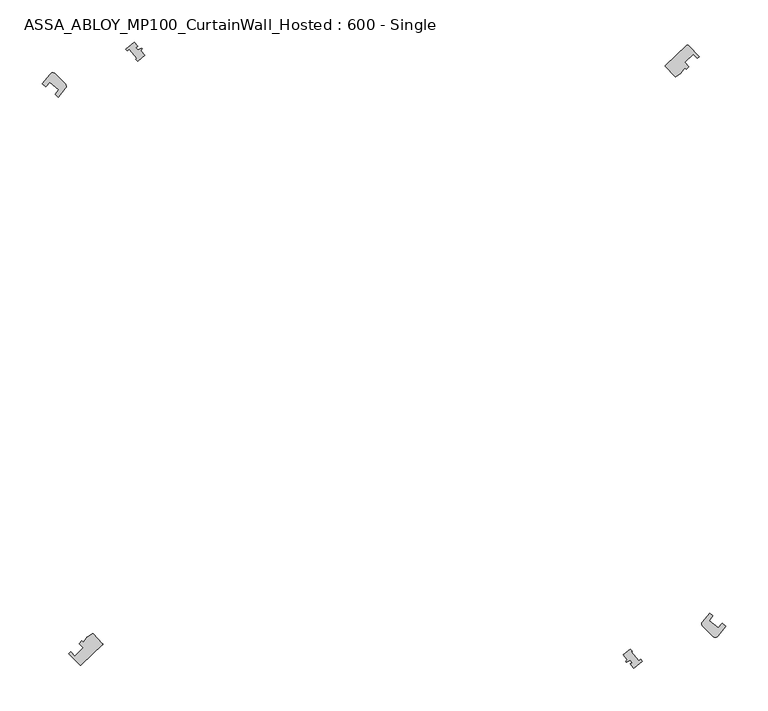
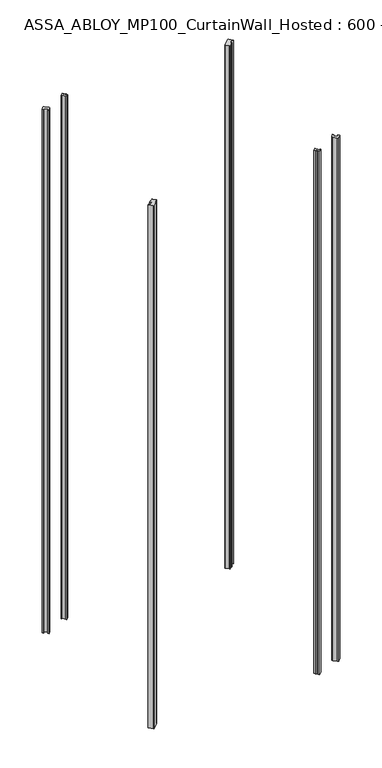
"""IFC4 building model written with IfcOpenShell, lengths in millimetres: plate geometry, ASSA_ABLOY_MP100_CurtainWall_Hosted : 600 - Single."""

from ifc_helpers import new_model, si_unit, point, frame_2d, origin, origin_with_axes, origin_2d, place, context, project, spatial, polyline, circle_curve, trimmed, segment, composite_curve, outline, extrude, source, transform, mapped, element, save


def assa_abloy_mp100_curtainwall_hosted_600_single_c99bf706(model_context):
    return source(origin(), model_context, "Body", "SweptSolid", [
        extrude(outline(composite_curve([segment(polyline([(334.8644246, 344.4806609), (360.0727221, 368.3357214)]), True, "CONTINUOUS"), segment(trimmed(circle_curve(frame_2d((360.7600645, 367.6093879)), 1.0), [point((360.0727221, 368.3357214))], [point((361.4631943, 368.3204493))], False, "CARTESIAN"), True, "CONTINUOUS"), segment(trimmed(circle_curve(frame_2d((-246.4267132, -246.4267132)), 864.5485606), [point((361.4631943, 368.3204493))], [point((374.7944617, 354.8456588))], False, "CARTESIAN"), True, "CONTINUOUS"), segment(polyline([(374.7944617, 354.8456588), (372.6388124, 352.7592322)]), True, "CONTINUOUS"), segment(trimmed(circle_curve(frame_2d((-246.4267132, -246.4267132)), 861.5485606), [point((372.6388124, 352.7592322))], [point((367.7500498, 357.769303))], True, "CARTESIAN"), True, "CONTINUOUS"), segment(polyline([(367.7500498, 357.769303), (357.6900154, 348.0323188)]), True, "CONTINUOUS"), segment(trimmed(circle_curve(frame_2d((-246.4267132, -246.4267132)), 847.5485606), [point((357.6900154, 348.0323188))], [point((362.5791155, 343.0225748))], False, "CARTESIAN"), True, "CONTINUOUS"), segment(polyline([(362.5791155, 343.0225748), (359.1079757, 339.662901), (357.6231574, 341.2356527), (353.626592, 336.1349594)]), True, "CONTINUOUS"), segment(trimmed(circle_curve(frame_2d((350.4779861, 338.6019984)), 4.0), [point((353.626592, 336.1349594))], [point((352.7677205, 335.322194))], False, "CARTESIAN"), True, "CONTINUOUS"), segment(polyline([(352.7677205, 335.322194), (346.8210526, 331.1706386)]), True, "CONTINUOUS"), segment(trimmed(circle_curve(frame_2d((346.549245, 332.1329902)), 1.0), [point((346.8210526, 331.1706386))], [point((345.8229115, 331.4456478))], False, "CARTESIAN"), True, "CONTINUOUS"), segment(polyline([(345.8229115, 331.4456478), (334.8254334, 343.0669849)]), True, "CONTINUOUS"), segment(trimmed(circle_curve(frame_2d((335.5517669, 343.7543273)), 1.0), [point((334.8254334, 343.0669849))], [point((334.8644246, 344.4806609))], False, "CARTESIAN"), True, "CONTINUOUS")], self_intersect=False)), origin_with_axes(), (0.0, 0.0, 1.0), 2200.0),
        extrude(outline(composite_curve([segment(polyline([(-334.8644246, -344.4806609), (-360.0727221, -368.3357214)]), True, "CONTINUOUS"), segment(trimmed(circle_curve(frame_2d((-360.7600645, -367.6093879)), 1.0), [point((-360.0727221, -368.3357214))], [point((-361.4631943, -368.3204493))], False, "CARTESIAN"), True, "CONTINUOUS"), segment(trimmed(circle_curve(frame_2d((246.4267132, 246.4267132)), 864.5485606), [point((-361.4631943, -368.3204493))], [point((-374.7944617, -354.8456588))], False, "CARTESIAN"), True, "CONTINUOUS"), segment(polyline([(-374.7944617, -354.8456588), (-372.6388124, -352.7592322)]), True, "CONTINUOUS"), segment(trimmed(circle_curve(frame_2d((246.4267132, 246.4267132)), 861.5485606), [point((-372.6388124, -352.7592322))], [point((-367.7500498, -357.769303))], True, "CARTESIAN"), True, "CONTINUOUS"), segment(polyline([(-367.7500498, -357.769303), (-357.6900154, -348.0323188)]), True, "CONTINUOUS"), segment(trimmed(circle_curve(frame_2d((246.4267132, 246.4267132)), 847.5485606), [point((-357.6900154, -348.0323188))], [point((-362.5791155, -343.0225748))], False, "CARTESIAN"), True, "CONTINUOUS"), segment(polyline([(-362.5791155, -343.0225748), (-359.1079757, -339.662901), (-357.6231574, -341.2356527), (-353.626592, -336.1349594)]), True, "CONTINUOUS"), segment(trimmed(circle_curve(frame_2d((-350.4779861, -338.6019984)), 4.0), [point((-353.626592, -336.1349594))], [point((-352.7677205, -335.322194))], False, "CARTESIAN"), True, "CONTINUOUS"), segment(polyline([(-352.7677205, -335.322194), (-346.8210526, -331.1706386)]), True, "CONTINUOUS"), segment(trimmed(circle_curve(frame_2d((-346.549245, -332.1329902)), 1.0), [point((-346.8210526, -331.1706386))], [point((-345.8229115, -331.4456478))], False, "CARTESIAN"), True, "CONTINUOUS"), segment(polyline([(-345.8229115, -331.4456478), (-334.8254334, -343.0669849)]), True, "CONTINUOUS"), segment(trimmed(circle_curve(frame_2d((-335.5517669, -343.7543273)), 1.0), [point((-334.8254334, -343.0669849))], [point((-334.8644246, -344.4806609))], False, "CARTESIAN"), True, "CONTINUOUS")], self_intersect=False)), origin_with_axes(), (0.0, 0.0, 1.0), 2200.0),
        extrude(outline(composite_curve([segment(polyline([(-406.4983781, 322.3103513), (-396.8361648, 334.0678909)]), True, "CONTINUOUS"), segment(trimmed(circle_curve(frame_2d((-393.7493539, 331.5239572)), 4.0), [point((-396.8361648, 334.0678909))], [point((-390.9209268, 334.3523843))], False, "CARTESIAN"), True, "CONTINUOUS"), segment(polyline([(-390.9209268, 334.3523843), (-378.9140144, 322.3454719)]), True, "CONTINUOUS"), segment(trimmed(circle_curve(frame_2d((-381.7424415, 319.5170448)), 4.0), [point((-378.9140144, 322.3454719))], [point((-378.6520168, 316.9775026))], False, "CARTESIAN"), True, "CONTINUOUS"), segment(polyline([(-378.6520168, 316.9775026), (-386.9843094, 306.8377525), (-391.0442832, 310.0568836)]), True, "CONTINUOUS"), segment(trimmed(circle_curve(origin_2d(), 499.05), [point((-391.0442832, 310.0568836))], [point((-386.6567534, 315.5114223))], False, "CARTESIAN"), True, "CONTINUOUS"), segment(polyline([(-386.6567534, 315.5114223), (-397.6278863, 324.2103739)]), True, "CONTINUOUS"), segment(trimmed(circle_curve(origin_2d(), 513.05), [point((-397.6278863, 324.2103739))], [point((-402.0143663, 318.7550028))], True, "CARTESIAN"), True, "CONTINUOUS"), segment(polyline([(-402.0143663, 318.7550028), (-406.4983781, 322.3103513)]), True, "CONTINUOUS")], self_intersect=False)), origin_with_axes(), (0.0, 0.0, 1.0), 2200.0),
        extrude(outline(composite_curve([segment(polyline([(406.5010307, -322.3071234), (396.836164, -334.0678916)]), True, "CONTINUOUS"), segment(trimmed(circle_curve(frame_2d((393.7493889, -331.5246855)), 3.9995097), [point((396.836164, -334.0678916))], [point((390.9213085, -334.352766))], False, "CARTESIAN"), True, "CONTINUOUS"), segment(polyline([(390.9213085, -334.352766), (378.919097, -322.3505545)]), True, "CONTINUOUS"), segment(trimmed(circle_curve(frame_2d((381.7475241, -319.5221274)), 4.0), [point((378.919097, -322.3505545))], [point((378.6570993, -316.9825851))], False, "CARTESIAN"), True, "CONTINUOUS"), segment(polyline([(378.6570993, -316.9825851), (386.992441, -306.8391246), (391.045652, -310.0528404)]), True, "CONTINUOUS"), segment(trimmed(circle_curve(origin_2d(), 499.0485606), [point((391.045652, -310.0528404))], [point((386.658166, -315.5074144))], False, "CARTESIAN"), True, "CONTINUOUS"), segment(polyline([(386.658166, -315.5074144), (397.629369, -324.2062776)]), True, "CONTINUOUS"), segment(trimmed(circle_curve(origin_2d(), 513.0485606), [point((397.629369, -324.2062776))], [point((402.0158052, -318.7508713))], True, "CARTESIAN"), True, "CONTINUOUS"), segment(polyline([(402.0158052, -318.7508713), (406.5010307, -322.3071234)]), True, "CONTINUOUS")], self_intersect=False)), origin_with_axes(), (0.0, 0.0, 1.0), 2200.0),
        extrude(outline(composite_curve([segment(polyline([(-288.8827094, 362.0076821), (-284.4209869, 356.4276956)]), True, "CONTINUOUS"), segment(trimmed(circle_curve(origin_2d(), 456.0), [point((-284.4209869, 356.4276956))], [point((-292.9134872, 349.4820296))], True, "CARTESIAN"), True, "CONTINUOUS"), segment(polyline([(-292.9134872, 349.4820296), (-295.2343124, 351.8028549), (-294.19236, 352.6359936), (-302.9353819, 363.5703233), (-305.1950024, 361.7635449), (-307.2073885, 363.775931)]), True, "CONTINUOUS"), segment(trimmed(circle_curve(origin_2d(), 476.1400084), [point((-307.2073885, 363.775931))], [point((-296.9984596, 372.1575239))], False, "CARTESIAN"), True, "CONTINUOUS"), segment(polyline([(-296.9984596, 372.1575239), (-292.9419696, 367.0843352), (-294.8945285, 365.5230813), (-292.708773, 362.7894989), (-287.9669818, 364.8656336), (-287.3484872, 364.0921226), (-288.8827094, 362.0076821)]), True, "CONTINUOUS")], self_intersect=False)), origin_with_axes(), (0.0, 0.0, 1.0), 2200.0),
        extrude(outline(composite_curve([segment(polyline([(288.8801307, -362.0051035), (284.4209869, -356.4276956)]), True, "CONTINUOUS"), segment(trimmed(circle_curve(origin_2d(), 456.0), [point((284.4209869, -356.4276956))], [point((292.9134872, -349.4820296))], True, "CARTESIAN"), True, "CONTINUOUS"), segment(polyline([(292.9134872, -349.4820296), (295.2343124, -351.8028549), (294.19236, -352.6359936), (302.935382, -363.5703233), (305.1950024, -361.7635449), (307.2048169, -363.7733594)]), True, "CONTINUOUS"), segment(trimmed(circle_curve(origin_2d(), 476.1363844), [point((307.2048169, -363.7733594))], [point((296.995881, -372.1549452))], False, "CARTESIAN"), True, "CONTINUOUS"), segment(polyline([(296.995881, -372.1549452), (292.9393909, -367.0817566), (294.8919498, -365.5205026), (292.7061943, -362.7869202), (287.9644031, -364.8630549), (287.3459086, -364.089544), (288.8801307, -362.0051035)]), True, "CONTINUOUS")], self_intersect=False)), origin_with_axes(), (0.0, 0.0, 1.0), 2200.0),
    ])


if __name__ == "__main__":
    model = new_model("IFC4")
    model_context = context("Model", 3, world=origin())
    ifc_project = project(units=[si_unit("LENGTHUNIT", "METRE", prefix="MILLI")], contexts=[model_context])
    site = spatial("IfcSite", under=ifc_project)
    building = spatial("IfcBuilding", under=site)
    placement = place(None, origin())
    assa_abloy_mp100_curtainwall_hosted_600_single_shape = assa_abloy_mp100_curtainwall_hosted_600_single_c99bf706(model_context)
    element("IfcPlate", 1, ObjectType="ASSA_ABLOY_MP100_CurtainWall_Hosted : 600 - Single", at=placement, inside=building, context=model_context, shape_type="MappedRepresentation", body=[
        mapped(assa_abloy_mp100_curtainwall_hosted_600_single_shape, transform((0.0, 0.0, 0.0), x_axis=(1.0, 0.0, 0.0), y_axis=(0.0, 1.0, 0.0), z_axis=(0.0, 0.0, 1.0))),
    ])
    save(model, "model.ifc")
